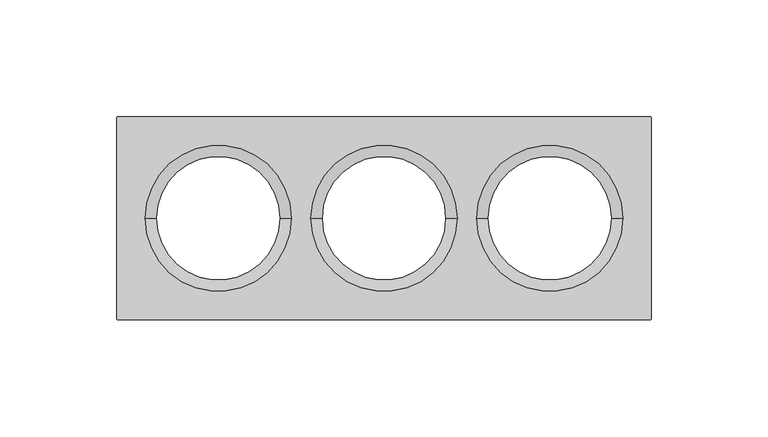
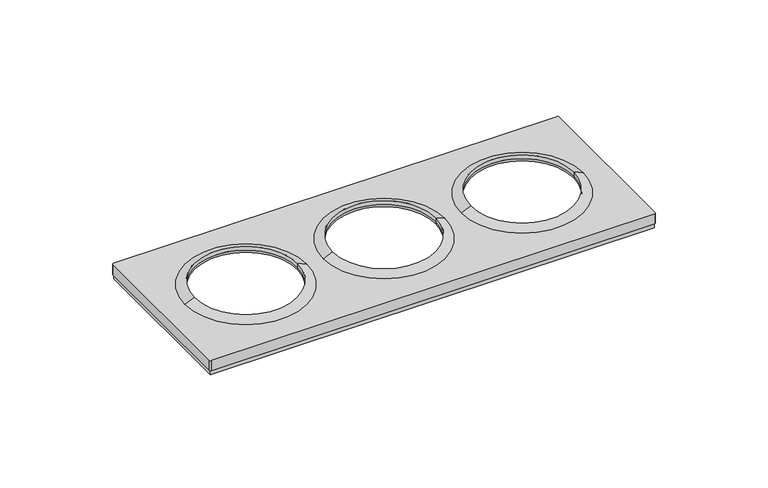
"""IFC4 building model written with IfcOpenShell, lengths in millimetres: proxy geometry."""

from ifc_helpers import new_model, si_unit, frame, origin, origin_with_axes, place, context, project, spatial, polyline, circle_curve, outline, extrude, source, transform, mapped, element, save
from ifc_brep_helpers import plane_surface, cylinder_surface, revolved_surface, advanced_brep


def electrical_fixtures_19c57656(model_context):
    return source(origin(), model_context, "Body", "SolidModel", [
        advanced_brep(
        [(-102.2841563, 0.0, 8.0076008), (-97.5, 0.0, 10.1), (-44.5, 0.0, 10.1), (-39.7158437, 0.0, 8.0076008), (-97.5, 0.0, 8.0076008), (-44.5, 0.0, 8.0076008), (-114.5, -42.9369707, 8.0076008), (-113.9369707, -43.5, 8.0076008), (113.9369707, -43.5, 8.0076008), (114.5, -42.9369707, 8.0076008), (114.5, 42.9369707, 8.0076008), (113.9369707, 43.5, 8.0076008), (-113.9369707, 43.5, 8.0076008), (-114.5, 42.9369707, 8.0076008), (39.7158437, 0.0, 8.0076008), (102.2841563, 0.0, 8.0076008), (-31.2841563, 0.0, 8.0076008), (31.2841563, 0.0, 8.0076008), (-114.5, -42.9369707, 2.5), (-114.5, 42.9369707, 2.5), (-113.9369707, 43.5, 2.5), (113.9369707, 43.5, 2.5), (114.5, 42.9369707, 2.5), (114.5, -42.9369707, 2.5), (113.9369707, -43.5, 2.5), (-113.9369707, -43.5, 2.5), (113.5, 42.5, 2.5), (-113.5, 42.5, 2.5), (-113.5, -42.5, 2.5), (113.5, -42.5, 2.5), (-26.5, 0.0, 10.1), (26.5, 0.0, 10.1), (-26.5, 0.0, 8.0076008), (26.5, 0.0, 8.0076008), (44.5, 0.0, 10.1), (97.5, 0.0, 10.1), (44.5, 0.0, 8.0076008), (97.5, 0.0, 8.0076008), (97.5, 0.0, 6.7956384), (44.5, 0.0, 6.7956384), (-97.5, 0.0, 6.7956384), (-44.5, 0.0, 6.7956384), (113.5, 42.5, 6.7956384), (113.5, -42.5, 6.7956384), (-113.5, -42.5, 6.7956384), (-113.5, 42.5, 6.7956384), (26.5, 0.0, 6.7956384), (-26.5, 0.0, 6.7956384)],
        [
            (0, 1),
            (1, 2, circle_curve(frame((-71.0, 0.0, 10.1), z_axis=(0.0, 0.0, -1.0), x_axis=(-1.0, 0.0, 0.0)), 26.5)),
            (2, 3),
            (3, 0, circle_curve(frame((-71.0, 0.0, 8.0076008), z_axis=(0.0, 0.0, 1.0), x_axis=(-1.0, 0.0, 0.0)), 31.2841563)),
            (0, 3, circle_curve(frame((-71.0, 0.0, 8.0076008), z_axis=(0.0, 0.0, 1.0), x_axis=(-1.0, 0.0, 0.0)), 31.2841563)),
            (2, 1, circle_curve(frame((-71.0, 0.0, 10.1), z_axis=(0.0, 0.0, -1.0), x_axis=(-1.0, 0.0, 0.0)), 26.5)),
            (1, 4),
            (4, 5, circle_curve(frame((-71.0, 0.0, 8.0076008), z_axis=(0.0, 0.0, -1.0), x_axis=(-1.0, 0.0, 0.0)), 26.5)),
            (5, 2),
            (5, 4, circle_curve(frame((-71.0, 0.0, 8.0076008), z_axis=(0.0, 0.0, -1.0), x_axis=(-1.0, 0.0, 0.0)), 26.5)),
            (6, 7, circle_curve(frame((-113.9369707, -42.9369707, 8.0076008), z_axis=(0.0, 0.0, 1.0), x_axis=(1.0, 0.0, 0.0)), 0.5630293)),
            (7, 8),
            (8, 9, circle_curve(frame((113.9369707, -42.9369707, 8.0076008), z_axis=(0.0, 0.0, 1.0), x_axis=(-1.0, 0.0, 0.0)), 0.5630293)),
            (9, 10),
            (10, 11, circle_curve(frame((113.9369707, 42.9369707, 8.0076008), z_axis=(0.0, 0.0, 1.0), x_axis=(-1.0, 0.0, 0.0)), 0.5630293)),
            (11, 12),
            (12, 13, circle_curve(frame((-113.9369707, 42.9369707, 8.0076008), z_axis=(0.0, 0.0, 1.0), x_axis=(1.0, 0.0, 0.0)), 0.5630293)),
            (13, 6),
            (14, 15, circle_curve(frame((71.0, 0.0, 8.0076008), z_axis=(0.0, 0.0, -1.0), x_axis=(-1.0, 0.0, 0.0)), 31.2841563)),
            (15, 14, circle_curve(frame((71.0, 0.0, 8.0076008), z_axis=(0.0, 0.0, -1.0), x_axis=(-1.0, 0.0, 0.0)), 31.2841563)),
            (16, 17, circle_curve(frame((0.0, 0.0, 8.0076008), z_axis=(0.0, 0.0, -1.0), x_axis=(-1.0, 0.0, 0.0)), 31.2841563)),
            (17, 16, circle_curve(frame((0.0, 0.0, 8.0076008), z_axis=(0.0, 0.0, -1.0), x_axis=(-1.0, 0.0, 0.0)), 31.2841563)),
            (18, 19),
            (19, 20, circle_curve(frame((-113.9369707, 42.9369707, 2.5), z_axis=(0.0, 0.0, -1.0), x_axis=(1.0, 0.0, 0.0)), 0.5630293)),
            (20, 21),
            (21, 22, circle_curve(frame((113.9369707, 42.9369707, 2.5), z_axis=(0.0, 0.0, -1.0), x_axis=(-1.0, 0.0, 0.0)), 0.5630293)),
            (22, 23),
            (23, 24, circle_curve(frame((113.9369707, -42.9369707, 2.5), z_axis=(0.0, 0.0, -1.0), x_axis=(-1.0, 0.0, 0.0)), 0.5630293)),
            (24, 25),
            (25, 18, circle_curve(frame((-113.9369707, -42.9369707, 2.5), z_axis=(0.0, 0.0, -1.0), x_axis=(1.0, 0.0, 0.0)), 0.5630293)),
            (26, 27),
            (27, 28),
            (28, 29),
            (29, 26),
            (6, 18),
            (25, 7),
            (24, 8),
            (23, 9),
            (22, 10),
            (21, 11),
            (20, 12),
            (19, 13),
            (16, 30),
            (30, 31, circle_curve(frame((0.0, 0.0, 10.1), z_axis=(0.0, 0.0, -1.0), x_axis=(-1.0, 0.0, 0.0)), 26.5)),
            (31, 17),
            (31, 30, circle_curve(frame((0.0, 0.0, 10.1), z_axis=(0.0, 0.0, -1.0), x_axis=(-1.0, 0.0, 0.0)), 26.5)),
            (30, 32),
            (32, 33, circle_curve(frame((0.0, 0.0, 8.0076008), z_axis=(0.0, 0.0, -1.0), x_axis=(-1.0, 0.0, 0.0)), 26.5)),
            (33, 31),
            (33, 32, circle_curve(frame((0.0, 0.0, 8.0076008), z_axis=(0.0, 0.0, -1.0), x_axis=(-1.0, 0.0, 0.0)), 26.5)),
            (14, 34),
            (34, 35, circle_curve(frame((71.0, 0.0, 10.1), z_axis=(0.0, 0.0, -1.0), x_axis=(-1.0, 0.0, 0.0)), 26.5)),
            (35, 15),
            (35, 34, circle_curve(frame((71.0, 0.0, 10.1), z_axis=(0.0, 0.0, -1.0), x_axis=(-1.0, 0.0, 0.0)), 26.5)),
            (34, 36),
            (36, 37, circle_curve(frame((71.0, 0.0, 8.0076008), z_axis=(0.0, 0.0, -1.0), x_axis=(-1.0, 0.0, 0.0)), 26.5)),
            (37, 35),
            (37, 36, circle_curve(frame((71.0, 0.0, 8.0076008), z_axis=(0.0, 0.0, -1.0), x_axis=(-1.0, 0.0, 0.0)), 26.5)),
            (38, 37),
            (36, 39),
            (39, 38, circle_curve(frame((71.0, 0.0, 6.7956384), z_axis=(0.0, 0.0, -1.0), x_axis=(-1.0, 0.0, 0.0)), 26.5)),
            (38, 39, circle_curve(frame((71.0, 0.0, 6.7956384), z_axis=(0.0, 0.0, -1.0), x_axis=(-1.0, 0.0, 0.0)), 26.5)),
            (4, 40),
            (40, 41, circle_curve(frame((-71.0, 0.0, 6.7956384), z_axis=(0.0, 0.0, -1.0), x_axis=(-1.0, 0.0, 0.0)), 26.5)),
            (41, 5),
            (41, 40, circle_curve(frame((-71.0, 0.0, 6.7956384), z_axis=(0.0, 0.0, -1.0), x_axis=(-1.0, 0.0, 0.0)), 26.5)),
            (42, 43),
            (43, 44),
            (44, 45),
            (45, 42),
            (46, 47, circle_curve(frame((0.0, 0.0, 6.7956384), z_axis=(0.0, 0.0, 1.0), x_axis=(-1.0, 0.0, 0.0)), 26.5)),
            (47, 46, circle_curve(frame((0.0, 0.0, 6.7956384), z_axis=(0.0, 0.0, 1.0), x_axis=(-1.0, 0.0, 0.0)), 26.5)),
            (45, 27),
            (26, 42),
            (44, 28),
            (43, 29),
            (46, 33),
            (32, 47),
        ],
        [
            revolved_surface(polyline([(-97.5, 0.0, 10.1), (-102.2841563, 0.0, 8.0076008)]), (-71.0, 0.0, 2609.0581012), (0.0, 0.0, -1.0)),
            revolved_surface(polyline([(-97.5, 0.0, 8.007600800000091), (-97.5, 0.0, 10.099999999999909)]), (-71.0, 0.0, 2609.0581012), (0.0, 0.0, -1.0)),
            plane_surface(frame((-113.3739414, -42.9369707, 8.0076008), z_axis=(0.0, 0.0, 1.0), x_axis=(0.0, 1.0, 0.0))),
            plane_surface(frame((-113.3739414, -42.9369707, 2.5), z_axis=(0.0, 0.0, -1.0), x_axis=(0.0, -1.0, 0.0))),
            cylinder_surface(frame((-113.9369707, -42.9369707, 2.5), z_axis=(0.0, 0.0, 1.0), x_axis=(1.0, 0.0, 0.0)), 0.5630293),
            plane_surface(frame((-113.9369707, -43.5, 8.0076008), z_axis=(0.0, -1.0, 0.0), x_axis=(0.0, 0.0, -1.0))),
            cylinder_surface(frame((113.9369707, -42.9369707, 2.5), z_axis=(0.0, 0.0, 1.0), x_axis=(-1.0, 0.0, 0.0)), 0.5630293),
            plane_surface(frame((114.5, -42.9369707, 8.0076008), z_axis=(1.0, 0.0, 0.0), x_axis=(0.0, 0.0, -1.0))),
            cylinder_surface(frame((113.9369707, 42.9369707, 2.5), z_axis=(0.0, 0.0, 1.0), x_axis=(-1.0, 0.0, 0.0)), 0.5630293),
            plane_surface(frame((113.9369707, 43.5, 8.0076008), z_axis=(0.0, 1.0, 0.0), x_axis=(0.0, 0.0, -1.0))),
            cylinder_surface(frame((-113.9369707, 42.9369707, 2.5), z_axis=(0.0, 0.0, 1.0), x_axis=(1.0, 0.0, 0.0)), 0.5630293),
            plane_surface(frame((-114.5, 42.9369707, 8.0076008), z_axis=(-1.0, 0.0, 0.0), x_axis=(0.0, 0.0, -1.0))),
            revolved_surface(polyline([(-26.5, 0.0, 10.1), (-31.2841563, 0.0, 8.0076008)]), (0.0, 0.0, 2609.0581012), (0.0, 0.0, -1.0)),
            revolved_surface(polyline([(-26.5, 0.0, 8.007600800000091), (-26.5, 0.0, 10.099999999999909)]), (0.0, 0.0, 2609.0581012), (0.0, 0.0, -1.0)),
            revolved_surface(polyline([(44.5, 0.0, 10.1), (39.7158437, 0.0, 8.0076008)]), (71.0, 0.0, 2609.0581012), (0.0, 0.0, -1.0)),
            revolved_surface(polyline([(44.5, 0.0, 8.007600800000091), (44.5, 0.0, 10.099999999999909)]), (71.0, 0.0, 2609.0581012), (0.0, 0.0, -1.0)),
            revolved_surface(polyline([(44.5, 0.0, 8.0076008), (44.5, 0.0, 6.7956384)]), (71.0, 0.0, 0.0), (0.0, 0.0, 1.0)),
            revolved_surface(polyline([(-97.5, 0.0, 8.0076008), (-97.5, 0.0, 6.7956384)]), (-71.0, 0.0, 0.0), (0.0, 0.0, 1.0)),
            plane_surface(frame((-42.5, 42.5, 6.7956384), z_axis=(0.0, 0.0, -1.0), x_axis=(-1.0, 0.0, 0.0))),
            plane_surface(frame((113.5, 42.5, 6.7956384), z_axis=(0.0, -1.0, 0.0), x_axis=(0.0, 0.0, -1.0))),
            plane_surface(frame((-113.5, 42.5, 6.7956384), z_axis=(1.0, 0.0, 0.0), x_axis=(0.0, 0.0, -1.0))),
            plane_surface(frame((-113.5, -42.5, 6.7956384), z_axis=(0.0, 1.0, 0.0), x_axis=(0.0, 0.0, -1.0))),
            plane_surface(frame((113.5, -42.5, 6.7956384), z_axis=(-1.0, 0.0, 0.0), x_axis=(0.0, 0.0, -1.0))),
            revolved_surface(polyline([(-26.5, 0.0, 8.0076008), (-26.5, 0.0, 6.7956384)]), (0.0, 0.0, 0.0), (0.0, 0.0, 1.0)),
        ],
        [
            (0, [[1, 2, 3, 4]]),
            (0, [[-1, 5, -3, 6]]),
            (1, [[-2, 7, 8, 9]]),
            (1, [[-6, -9, 10, -7]]),
            (2, [[11, 12, 13, 14, 15, 16, 17, 18], [19, 20], [-4, -5], [21, 22]]),
            (3, [[23, 24, 25, 26, 27, 28, 29, 30], [31, 32, 33, 34]]),
            (4, [[-11, 35, -30, 36]]),
            (5, [[-12, -36, -29, 37]]),
            (6, [[-13, -37, -28, 38]]),
            (7, [[-14, -38, -27, 39]]),
            (8, [[-15, -39, -26, 40]]),
            (9, [[-16, -40, -25, 41]]),
            (10, [[-17, -41, -24, 42]]),
            (11, [[-18, -42, -23, -35]]),
            (12, [[43, 44, 45, -21]]),
            (12, [[-43, -22, -45, 46]]),
            (13, [[-44, 47, 48, 49]]),
            (13, [[-46, -49, 50, -47]]),
            (14, [[51, 52, 53, -19]]),
            (14, [[-51, -20, -53, 54]]),
            (15, [[-52, 55, 56, 57]]),
            (15, [[-54, -57, 58, -55]]),
            (16, [[59, -56, 60, 61]]),
            (16, [[-59, 62, -60, -58]]),
            (17, [[-8, 63, 64, 65]]),
            (17, [[-10, -65, 66, -63]]),
            (18, [[67, 68, 69, 70], [-61, -62], [-64, -66], [71, 72]]),
            (19, [[-70, 73, -31, 74]]),
            (20, [[-69, 75, -32, -73]]),
            (21, [[-68, 76, -33, -75]]),
            (22, [[-67, -74, -34, -76]]),
            (23, [[77, -48, 78, -71]]),
            (23, [[-77, -72, -78, -50]]),
        ],
    ),
        extrude(outline(polyline([(-114.0, -43.0), (-114.0, 43.0), (114.0, 43.0), (114.0, -43.0), (-114.0, -43.0)]), holes=[polyline([(-113.5, -42.5), (113.5, -42.5), (113.5, 42.5), (-113.5, 42.5), (-113.5, -42.5)])]), origin_with_axes(), (0.0, 0.0, 1.0), 2.5),
    ])


if __name__ == "__main__":
    model = new_model("IFC4")
    model_context = context("Model", 3, world=origin())
    ifc_project = project(units=[si_unit("LENGTHUNIT", "METRE", prefix="MILLI")], contexts=[model_context])
    site = spatial("IfcSite", under=ifc_project)
    building = spatial("IfcBuilding", under=site)
    placement = place(None, origin())
    electrical_fixtures_shape = electrical_fixtures_19c57656(model_context)
    element("IfcBuildingElementProxy", 1, Name="Electrical Fixtures", at=placement, inside=building, context=model_context, shape_type="MappedRepresentation", body=[
        mapped(electrical_fixtures_shape, transform((0.0, 0.0, 0.0), x_axis=(1.0, 0.0, 0.0), y_axis=(0.0, 1.0, 0.0), z_axis=(0.0, 0.0, 1.0))),
    ])
    save(model, "model.ifc")
